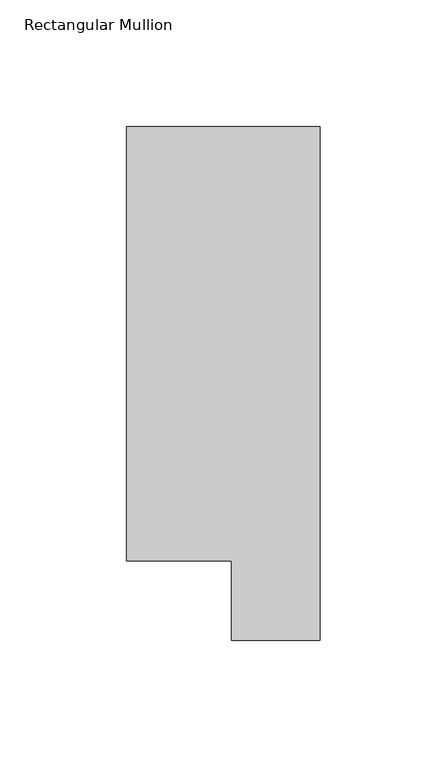
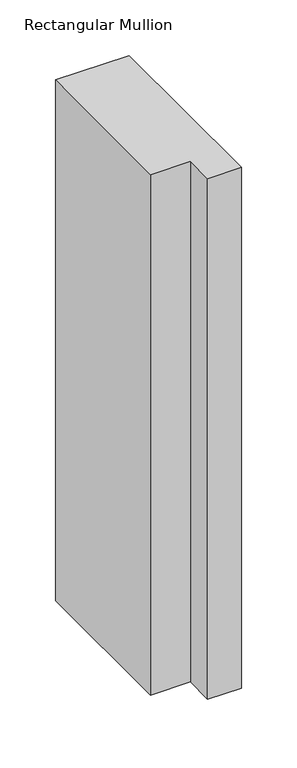
"""IFC4 building model written with IfcOpenShell, lengths in millimetres: member geometry, Rectangular Mullion."""

import ifcopenshell
import ifcopenshell.guid

model = None  # the IFC model being written
_history = None  # IfcOwnerHistory: only IFC2X3 demands one
_inside = {}  # id of a spatial element -> (the spatial element, [elements in it])
_under = {}  # id of a project, library or spatial element -> (it, [spatial elements below it])
_declared = {}  # id of a project -> (the project, [libraries it declares])
_typed = {}  # id of a type object -> (the type object, [elements of that type])
_made_of = {}  # id of a material, layer set ... -> (it, [elements and type objects made of it])


def new_model(schema):
    """Start an empty IFC model of exactly this schema.

    Asked for "IFC4X3", IfcOpenShell would pick the latest addendum, in which some entities
    have other attributes; the version numbers below select the first issue.
    IFC2X3 requires an IfcOwnerHistory on every rooted entity: one is made here for all.
    """
    global model, _history
    if schema == "IFC4X3":
        model = ifcopenshell.file(schema_version=(4, 3, 0, 0))
    else:
        model = ifcopenshell.file(schema=schema)
    _inside.clear()
    _under.clear()
    _declared.clear()
    _typed.clear()
    _made_of.clear()
    _history = None
    if model.schema == "IFC2X3":
        org = make("IfcOrganization", Name="unknown")
        user = make(
            "IfcPersonAndOrganization",
            ThePerson=make("IfcPerson", FamilyName="unknown"),
            TheOrganization=org,
        )
        app = make(
            "IfcApplication",
            ApplicationDeveloper=org,
            Version="unknown",
            ApplicationFullName="unknown",
            ApplicationIdentifier="unknown",
        )
        _history = make(
            "IfcOwnerHistory",
            OwningUser=user,
            OwningApplication=app,
            ChangeAction="ADDED",
            CreationDate=0,
        )
    return model


def make(cls, **values):
    """One entity of the class cls with the attributes given. An attribute that is None is left unset."""
    return model.create_entity(
        cls, **{name: value for name, value in values.items() if value is not None}
    )


def rooted(cls, **values):
    """An entity with a GlobalId (a new one), such as an element, a storey or a relation."""
    return make(cls, GlobalId=ifcopenshell.guid.new(), OwnerHistory=_history, **values)


def si_unit(unit_type, name, prefix=None):
    """IfcSIUnit, for example si_unit("LENGTHUNIT", "METRE", prefix="MILLI")."""
    return make("IfcSIUnit", UnitType=unit_type, Prefix=prefix, Name=name)


def assignment(units):
    """IfcUnitAssignment: the units of a project."""
    return None if units is None else make("IfcUnitAssignment", Units=units)


def point(xyz):
    """IfcCartesianPoint."""
    return None if xyz is None else make("IfcCartesianPoint", Coordinates=xyz)


def direction(xyz):
    """IfcDirection."""
    return None if xyz is None else make("IfcDirection", DirectionRatios=xyz)


def frame(location, z_axis=None, x_axis=None):
    """IfcAxis2Placement3D, a coordinate frame: its origin and axes. An axis left out is left unset."""
    return make(
        "IfcAxis2Placement3D",
        Location=point(location),
        Axis=direction(z_axis),
        RefDirection=direction(x_axis),
    )


def origin():
    """The frame at (0, 0, 0) with its axes left unset."""
    return frame((0.0, 0.0, 0.0))


def place(relative_to, where):
    """IfcLocalPlacement: puts the frame where relative to a parent placement (None: the world)."""
    return make(
        "IfcLocalPlacement", PlacementRelTo=relative_to, RelativePlacement=where
    )


def context(
    kind, dimensions, precision=None, world=None, true_north=None, identifier=None
):
    """IfcGeometricRepresentationContext, for example the 3D "Model" context."""
    return make(
        "IfcGeometricRepresentationContext",
        ContextIdentifier=identifier,
        ContextType=kind,
        CoordinateSpaceDimension=dimensions,
        Precision=precision,
        WorldCoordinateSystem=world,
        TrueNorth=true_north,
    )


def project(units=None, contexts=None):
    """IfcProject with its units and contexts."""
    return rooted(
        "IfcProject",
        Name="project",
        RepresentationContexts=contexts,
        UnitsInContext=assignment(units),
    )


def spatial(cls, under=None, at=None, **own):
    """A site, building, storey or space (cls), placed at a placement, below another one or the project."""
    s = rooted(cls, ObjectPlacement=at, **own)
    if under is not None:
        _under.setdefault(under.id(), (under, []))[1].append(s)
    return s


def polyline(points):
    """IfcPolyline through the points."""
    return make("IfcPolyline", Points=[point(p) for p in points])


def outline(outer, holes=None, kind="AREA"):
    """IfcArbitraryClosedProfileDef: a profile drawn as a closed curve; with holes, ...WithVoids."""
    if holes is None:
        return make("IfcArbitraryClosedProfileDef", ProfileType=kind, OuterCurve=outer)
    return make(
        "IfcArbitraryProfileDefWithVoids",
        ProfileType=kind,
        OuterCurve=outer,
        InnerCurves=holes,
    )


def extrude(swept, where, along, depth):
    """IfcExtrudedAreaSolid: the profile swept, set in the frame where, extruded along a direction by depth."""
    return make(
        "IfcExtrudedAreaSolid",
        SweptArea=swept,
        Position=where,
        ExtrudedDirection=direction(along),
        Depth=depth,
    )


def shape(context_of_items, identifier, shape_type, items):
    """IfcShapeRepresentation: the items that make up one representation, for example the "Body"."""
    return make(
        "IfcShapeRepresentation",
        ContextOfItems=context_of_items,
        RepresentationIdentifier=identifier,
        RepresentationType=shape_type,
        Items=items,
    )


def source(mapping_origin, context_of_items, identifier, shape_type, items):
    """IfcRepresentationMap: a shape defined once, which mapped items show again and again."""
    return make(
        "IfcRepresentationMap",
        MappingOrigin=mapping_origin,
        MappedRepresentation=shape(context_of_items, identifier, shape_type, items),
    )


def transform(
    local_origin,
    x_axis=None,
    y_axis=None,
    z_axis=None,
    scale=None,
    scale2=None,
    scale3=None,
    uniform=True,
):
    """IfcCartesianTransformationOperator3D, or its non-uniform kind. x_axis, y_axis, z_axis: its Axis1, 2, 3."""
    if uniform:
        return make(
            "IfcCartesianTransformationOperator3D",
            Axis1=direction(x_axis),
            Axis2=direction(y_axis),
            LocalOrigin=point(local_origin),
            Scale=scale,
            Axis3=direction(z_axis),
        )
    return make(
        "IfcCartesianTransformationOperator3DnonUniform",
        Axis1=direction(x_axis),
        Axis2=direction(y_axis),
        LocalOrigin=point(local_origin),
        Scale=scale,
        Axis3=direction(z_axis),
        Scale2=scale2,
        Scale3=scale3,
    )


def mapped(mapping_source, mapping_target):
    """IfcMappedItem: shows the shape of a source again, moved by a transform."""
    return make(
        "IfcMappedItem", MappingSource=mapping_source, MappingTarget=mapping_target
    )


def made_of(thing, what):
    """Note that an element or type object is made of a material, layer set ...; save() writes the relation."""
    if what is not None:
        _made_of.setdefault(what.id(), (what, []))[1].append(thing)
    return thing


def element(
    cls,
    number,
    at=None,
    inside=None,
    cuts=None,
    type_object=None,
    material=None,
    context=None,
    identifier="Body",
    shape_type=None,
    held_by="IfcProductDefinitionShape",
    body=None,
    shapes=None,
    **own,
):
    """One element of the class cls, such as IfcWall. Its Tag is "e" and its number.

    at: its placement. inside: the storey or other place that contains it. cuts: it is an
    opening in that element (IfcRelVoidsElement). A single representation is given by context,
    identifier, shape_type and body (its items); several are given by shapes. held_by: the class
    of the entity that holds the representations. save() writes the other relations.
    """
    e = rooted(cls, Tag="e%d" % number, ObjectPlacement=at, **own)
    if body is not None:
        shapes = [shape(context, identifier, shape_type, body)]
    if shapes is not None:
        e.Representation = make(held_by, Representations=shapes)
    if inside is not None:
        _inside.setdefault(inside.id(), (inside, []))[1].append(e)
    if cuts is not None:
        rooted(
            "IfcRelVoidsElement", RelatingBuildingElement=cuts, RelatedOpeningElement=e
        )
    if type_object is not None:
        _typed.setdefault(type_object.id(), (type_object, []))[1].append(e)
    return made_of(e, material)


def aggregate(whole, parts):
    """IfcRelAggregates: a whole, such as a stair, and the parts it consists of."""
    return rooted("IfcRelAggregates", RelatingObject=whole, RelatedObjects=parts)


def save(model, path):
    """Write the relations noted so far, then the file.

    IfcRelAggregates (storeys below a building ...), IfcRelContainedInSpatialStructure (elements
    in a storey), IfcRelDefinesByType, IfcRelAssociatesMaterial and IfcRelDeclares: one each for
    every whole, place, type object, material and project.
    """
    for whole, parts in _under.values():
        aggregate(whole, parts)
    for where, things in _inside.values():
        rooted(
            "IfcRelContainedInSpatialStructure",
            RelatedElements=things,
            RelatingStructure=where,
        )
    for kind, things in _typed.values():
        rooted("IfcRelDefinesByType", RelatedObjects=things, RelatingType=kind)
    for what, things in _made_of.values():
        rooted("IfcRelAssociatesMaterial", RelatedObjects=things, RelatingMaterial=what)
    for by, libraries in _declared.values():
        rooted("IfcRelDeclares", RelatingContext=by, RelatedDefinitions=libraries)
    model.write(path)


def rectangular_mullion_6fdbebc9(model_context):
    return source(origin(), model_context, "Body", "SweptSolid", [
        extrude(outline(polyline([(0.0, 222.0301313), (0.0, 19.5667312), (-34.9123, 19.5667312), (-34.9123, 50.820278), (-76.2, 50.820278), (-76.2, 222.0301313), (0.0, 222.0301313)])), frame((0.0, 0.0, -571.3356703), z_axis=(0.0, 0.0, 1.0), x_axis=(1.0, 0.0, 0.0)), (0.0, 0.0, 1.0), 571.3356703),
    ])


if __name__ == "__main__":
    model = new_model("IFC4")
    model_context = context("Model", 3, world=origin())
    ifc_project = project(units=[si_unit("LENGTHUNIT", "METRE", prefix="MILLI")], contexts=[model_context])
    site = spatial("IfcSite", under=ifc_project)
    building = spatial("IfcBuilding", under=site)
    placement = place(None, origin())
    rectangular_mullion_shape = rectangular_mullion_6fdbebc9(model_context)
    element("IfcMember", 1, ObjectType="Rectangular Mullion", at=placement, inside=building, context=model_context, shape_type="MappedRepresentation", body=[
        mapped(rectangular_mullion_shape, transform((0.0, 0.0, 0.0), x_axis=(1.0, 0.0, 0.0), y_axis=(0.0, 1.0, 0.0), z_axis=(0.0, 0.0, 1.0))),
    ])
    save(model, "model.ifc")
